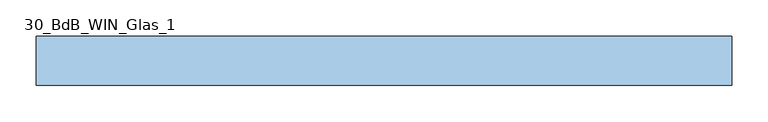
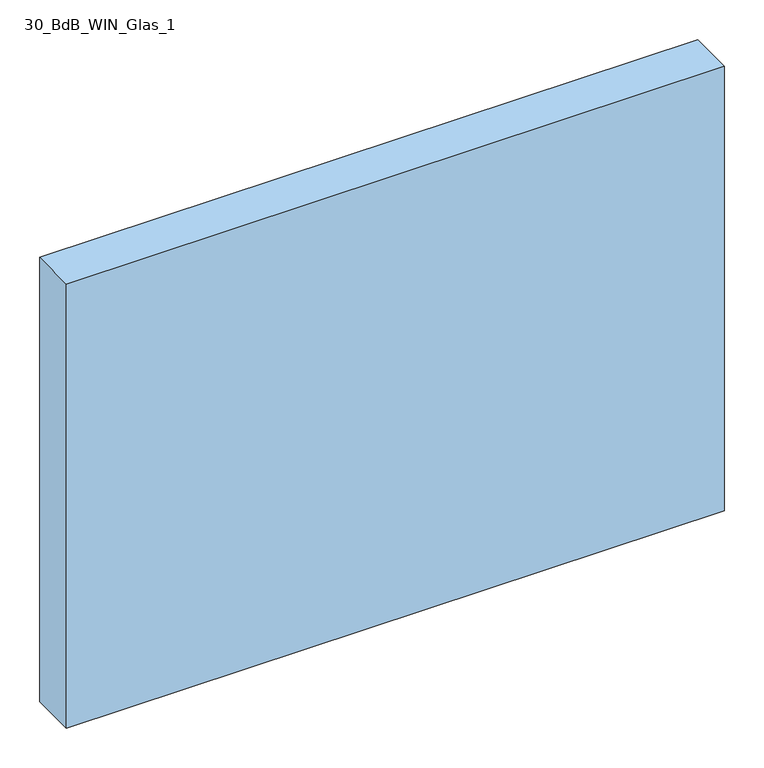
"""IFC4 building model written with IfcOpenShell, lengths in millimetres: window geometry, 30_BdB_WIN_Glas_1."""

from ifc_helpers import new_model, si_unit, origin, origin_with_axes, place, context, project, spatial, polyline, outline, extrude, source, transform, mapped, element, save


def window_30_bdb_win_glas_1_e22cc60f(model_context):
    return source(origin(), model_context, "Body", "SweptSolid", [
        extrude(outline(polyline([(-480.5, 0.0), (480.5, 0.0), (480.5, -68.0), (-480.5, -68.0), (-480.5, 0.0)])), origin_with_axes(), (0.0, 0.0, 1.0), 686.0),
    ])


if __name__ == "__main__":
    model = new_model("IFC4")
    model_context = context("Model", 3, world=origin())
    ifc_project = project(units=[si_unit("LENGTHUNIT", "METRE", prefix="MILLI")], contexts=[model_context])
    site = spatial("IfcSite", under=ifc_project)
    building = spatial("IfcBuilding", under=site)
    placement = place(None, origin())
    window_30_bdb_win_glas_1_shape = window_30_bdb_win_glas_1_e22cc60f(model_context)
    element("IfcWindow", 1, ObjectType="30_BdB_WIN_Glas_1", at=placement, inside=building, context=model_context, shape_type="MappedRepresentation", body=[
        mapped(window_30_bdb_win_glas_1_shape, transform((0.0, 0.0, 0.0), x_axis=(1.0, 0.0, 0.0), y_axis=(0.0, 1.0, 0.0), z_axis=(0.0, 0.0, 1.0))),
    ])
    save(model, "model.ifc")
